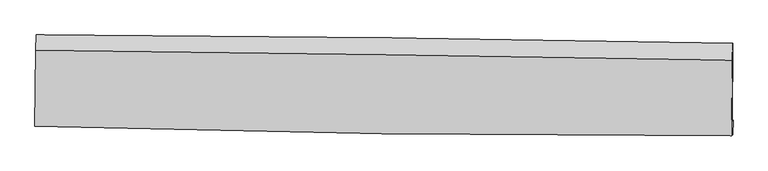
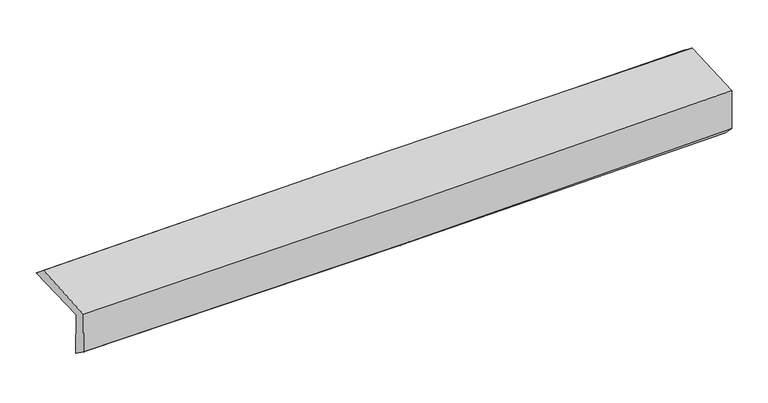
"""IFC4 building model written with IfcOpenShell, lengths in millimetres: proxy geometry."""

from ifc_helpers import new_model, si_unit, frame, origin, place, context, project, spatial, source, transform, mapped, element, save
from ifc_brep_helpers import plane_surface, spline_curve, spline_surface, advanced_brep


def generic_models_63edb679(model_context):
    return source(origin(), model_context, "Body", "AdvancedBrep", [
        advanced_brep(
        [(-3017.3919376, -1770.7921276, 1976.7757817), (-3009.9659371, -1107.9976375, 1986.1430583), (3003.2674861, -1181.2240042, 2132.4972373), (2995.0558927, -1854.9808772, 2117.532785), (-3008.1715024, -1751.1706477, 1580.3484349), (3004.3651255, -1843.4761142, 1713.0687033), (-3011.8734911, -1883.3128903, 1676.3924261), (3000.0649851, -1969.1330414, 1832.4863576), (-3020.654815, -1894.16524, 2057.9201185), (2991.1485838, -1980.1523257, 2219.8828392), (-3013.8623642, -1238.882884, 2091.3955001), (2999.0312936, -1325.4562689, 2238.686746)],
        [
            (0, 1),
            (1, 2, spline_curve(3, [(-3009.9659371, -1107.9976375, 1986.1430583), (-2007.395534747, -1111.047969996, 1999.102427018), (-1005.006084739, -1118.675364979, 2017.778345018), (999.405054313, -1143.084207107, 2066.563138449), (2001.426745313, -1159.865601344, 2096.671946493), (3003.2674861, -1181.2240042, 2132.4972373)], [4, 2, 4], [0.0, 9.867670617608345, 19.735283575249404])),
            (2, 3),
            (3, 0, spline_curve(3, [(2995.0558927, -1854.9808772, 2117.532785), (1993.523410221, -1839.428114689, 2070.838153073), (991.721314144, -1824.636022539, 2035.761087268), (-1012.427959404, -1796.57309727, 1988.84195045), (-2014.77514042, -1783.302272916, 1977.000015305), (-3017.3919376, -1770.7921276, 1976.7757817)], [4, 2, 4], [0.0, 9.86761295764106, 19.735283575249404])),
            (4, 0),
            (3, 5),
            (5, 4, spline_curve(3, [(3004.3651255, -1843.4761142, 1713.0687033), (2002.717220615, -1823.738852638, 1673.73556891), (1000.850013765, -1806.178115589, 1643.008986674), (-1003.328859712, -1775.409601516, 1598.768796671), (-2005.640528613, -1762.201849449, 1585.255289614), (-3008.1715024, -1751.1706477, 1580.3484349)], [4, 2, 4], [0.0, 9.867106806279098, 19.73427126956786])),
            (6, 4),
            (5, 7),
            (7, 6, spline_curve(3, [(3000.0649851, -1969.1330414, 1832.4863576), (1997.944938552, -1970.17067536, 1803.90101268), (995.89150564, -1963.537856571, 1776.600546898), (-1008.087987005, -1934.93122925, 1724.569221084), (-2010.014046439, -1912.957331011, 1699.83837652), (-3011.8734911, -1883.3128903, 1676.3924261)], [4, 2, 4], [0.0, 9.866648286889603, 19.73335422810958])),
            (8, 6),
            (7, 9),
            (9, 8, spline_curve(3, [(2991.1485838, -1980.1523257, 2219.8828392), (1988.942843306, -1981.295863962, 2195.020690913), (986.857819764, -1974.702086257, 2169.092766073), (-1017.076647797, -1946.039815002, 2115.105204793), (-2018.926090659, -1923.971230715, 2087.045556447), (-3020.654815, -1894.16524, 2057.9201185)], [4, 2, 4], [0.0, 9.866710494799259, 19.733478644292394])),
            (10, 8),
            (9, 11),
            (11, 10, spline_curve(3, [(2999.0312936, -1325.4562689, 2238.686746), (1996.717643598, -1309.66160287, 2222.016809927), (994.487811104, -1294.549840249, 2201.40761865), (-1009.810075999, -1265.692037438, 2152.310582705), (-2011.878129066, -1251.946004905, 2123.822692056), (-3013.8623642, -1238.882884, 2091.3955001)], [4, 2, 4], [0.0, 9.86711547308164, 19.734288603223586])),
            (1, 10),
            (11, 2),
        ],
        [
            spline_surface(3, 3, [[(-3017.3919376, -1770.7921276, 1976.7757817), (-2014.775140326, -1783.30227277, 1977.00001517), (-1012.427959438, -1796.573097197, 1988.841950435), (991.721314177, -1824.636022612, 2035.761087283), (1993.523410057, -1839.428114736, 2070.838153164), (2995.0558927, -1854.9808772, 2117.532785)], [(-3014.916604103, -1549.860630898, 1979.898207207), (-2012.315271774, -1559.217505208, 1984.367485746), (-1009.954001182, -1570.607186398, 1998.487415359), (994.282560881, -1597.452084141, 2046.028437644), (1996.15785516, -1612.907276964, 2079.449417601), (2997.793090506, -1630.395252884, 2122.52093578)], [(-3012.441270597, -1328.929134202, 1983.020632793), (-2009.855403214, -1335.132737653, 1991.734956401), (-1007.480042948, -1344.641275642, 2008.132880231), (996.843807563, -1370.268145714, 2056.295787952), (1998.792300246, -1386.386439141, 2088.060681997), (3000.530288294, -1405.809628516, 2127.50908652)], [(-3009.9659371, -1107.9976375, 1986.1430583), (-2007.395534661, -1111.04797009, 1999.102426977), (-1005.006084693, -1118.675364842, 2017.778345155), (999.405054267, -1143.084207243, 2066.563138312), (2001.42674535, -1159.865601369, 2096.671946434), (3003.2674861, -1181.2240042, 2132.4972373)]], [4, 4], [4, 2, 4], [0.0, 2.232357742214486], [0.0, 9.867670617608345, 19.735283575249404]),
            spline_surface(3, 3, [[(-3008.1715024, -1751.1706477, 1580.3484349), (-2005.64052874, -1762.201849452, 1585.255289493), (-1003.328859688, -1775.409601415, 1598.768796654), (1000.850013741, -1806.178115689, 1643.008986691), (2002.717220604, -1823.73885255, 1673.735569021), (3004.3651255, -1843.4761142, 1713.0687033)], [(-3011.244980794, -1757.711140996, 1712.490883846), (-2008.685399263, -1769.235323887, 1715.836864732), (-1006.361892934, -1782.464100023, 1728.793181258), (997.807113891, -1812.330751344, 1773.926353566), (1999.652617068, -1828.968606595, 1806.10309707), (3001.262047879, -1847.311035183, 1847.890063868)], [(-3014.318459206, -1764.251634304, 1844.633332754), (-2011.730269804, -1776.268798335, 1846.418439932), (-1009.394926192, -1789.518598589, 1858.81756583), (994.764214027, -1818.483386957, 1904.843720409), (1996.588013594, -1834.198360691, 1938.470625115), (2998.158970321, -1851.145956217, 1982.711424432)], [(-3017.3919376, -1770.7921276, 1976.7757817), (-2014.775140326, -1783.30227277, 1977.00001517), (-1012.427959438, -1796.573097197, 1988.841950435), (991.721314177, -1824.636022612, 2035.761087283), (1993.523410057, -1839.428114736, 2070.838153164), (2995.0558927, -1854.9808772, 2117.532785)]], [4, 4], [4, 2, 4], [0.0, 1.286153539969501], [0.0, 9.867164463288761, 19.73427126956786]),
            spline_surface(3, 3, [[(-3011.8734911, -1883.3128903, 1676.3924261), (-2010.014046409, -1912.95733107, 1699.838376644), (-1008.087987099, -1934.931229215, 1724.569221228), (995.891505734, -1963.537856606, 1776.600546753), (1997.944938515, -1970.170675494, 1803.901012651), (3000.0649851, -1969.1330414, 1832.4863576)], [(-3010.639494896, -1839.265476098, 1644.377762379), (-2008.556207215, -1862.705503862, 1661.644014273), (-1006.501611312, -1881.75735327, 1682.635746344), (997.54434172, -1911.084609622, 1732.070026707), (1999.53569922, -1921.360067849, 1760.512531432), (3001.498365242, -1927.247399002, 1792.680472825)], [(-3009.405498604, -1795.218061902, 1612.363098621), (-2007.098367934, -1812.45367666, 1623.449651865), (-1004.915235475, -1828.58347736, 1640.702271538), (999.197177755, -1858.631362673, 1687.539506738), (2001.126459899, -1872.549460196, 1717.12405024), (3002.931745358, -1885.361756598, 1752.874588075)], [(-3008.1715024, -1751.1706477, 1580.3484349), (-2005.64052874, -1762.201849452, 1585.255289493), (-1003.328859688, -1775.409601415, 1598.768796654), (1000.850013741, -1806.178115689, 1643.008986691), (2002.717220604, -1823.73885255, 1673.735569021), (3004.3651255, -1843.4761142, 1713.0687033)]], [4, 4], [4, 2, 4], [0.0, 0.6719565801474335], [0.0, 9.866705941219976, 19.73335422810958]),
            spline_surface(3, 3, [[(-3020.654815, -1894.16524, 2057.9201185), (-2018.926090616, -1923.971230726, 2087.045556287), (-1017.076647862, -1946.0398149, 2115.105204893), (986.857819829, -1974.702086358, 2169.092765973), (1988.942843315, -1981.29586412, 2195.020690997), (2991.1485838, -1980.1523257, 2219.8828392)], [(-3017.727707014, -1890.547790096, 1930.744221008), (-2015.955409194, -1920.299930837, 1957.97649638), (-1014.080427616, -1942.336953, 1984.926543674), (989.869048456, -1970.980676435, 2038.262026235), (1991.943541709, -1977.587467927, 2064.647464897), (2994.120717561, -1976.479230948, 2090.750678682)], [(-3014.800599086, -1886.930340204, 1803.568323592), (-2012.984727831, -1916.628630959, 1828.907436551), (-1011.084207345, -1938.634091116, 1854.747882448), (992.880277107, -1967.259266528, 1907.431286491), (1994.944240121, -1973.879071688, 1934.274238751), (2997.092851339, -1972.806136152, 1961.618518118)], [(-3011.8734911, -1883.3128903, 1676.3924261), (-2010.014046409, -1912.95733107, 1699.838376644), (-1008.087987099, -1934.931229215, 1724.569221228), (995.891505734, -1963.537856606, 1776.600546753), (1997.944938515, -1970.170675494, 1803.901012651), (3000.0649851, -1969.1330414, 1832.4863576)]], [4, 4], [4, 2, 4], [0.0, 1.285354639666826], [0.0, 9.866768149493135, 19.733478644292394]),
            spline_surface(3, 3, [[(-3013.8623642, -1238.882884, 2091.3955001), (-2011.878129111, -1251.946005033, 2123.822691954), (-1009.81007591, -1265.692037384, 2152.31058271), (994.487811015, -1294.549840303, 2201.407618645), (1996.717643723, -1309.661602976, 2222.016809846), (2999.0312936, -1325.4562689, 2238.686746)], [(-3016.126514462, -1457.310336001, 2080.237039586), (-2014.227449608, -1475.954413599, 2111.563646751), (-1012.232266549, -1492.474629896, 2139.908790115), (991.944480631, -1521.267255661, 2190.636001098), (1994.126043593, -1533.539690037, 2213.018103545), (2996.403723672, -1543.688287845, 2232.418777049)], [(-3018.390664738, -1675.737787999, 2069.078579014), (-2016.576770119, -1699.96282216, 2099.30460149), (-1014.654457223, -1719.257222389, 2127.506997489), (989.401150213, -1747.984671, 2179.86438352), (1991.534443445, -1757.41777706, 2204.019397298), (2993.776153728, -1761.920306755, 2226.150808151)], [(-3020.654815, -1894.16524, 2057.9201185), (-2018.926090616, -1923.971230726, 2087.045556287), (-1017.076647862, -1946.0398149, 2115.105204893), (986.857819829, -1974.702086358, 2169.092765973), (1988.942843315, -1981.29586412, 2195.020690997), (2991.1485838, -1980.1523257, 2219.8828392)]], [4, 4], [4, 2, 4], [0.0, 2.234836813253993], [0.0, 9.867173130141946, 19.734288603223586]),
            spline_surface(3, 3, [[(-3009.9659371, -1107.9976375, 1986.1430583), (-2007.395534661, -1111.04797009, 1999.102426977), (-1005.006084693, -1118.675364842, 2017.778345155), (999.405054267, -1143.084207243, 2066.563138312), (2001.42674535, -1159.865601369, 2096.671946434), (3003.2674861, -1181.2240042, 2132.4972373)], [(-3011.264746132, -1151.626053011, 2021.227205575), (-2008.88973281, -1158.013981749, 2040.675848644), (-1006.607415097, -1167.680922367, 2062.622424326), (997.765973185, -1193.572751607, 2111.511298409), (1999.857044813, -1209.797601875, 2138.453567567), (3001.855421939, -1229.301425737, 2167.893740196)], [(-3012.563555168, -1195.254468489, 2056.311352825), (-2010.383930962, -1204.979993375, 2082.249270287), (-1008.208745506, -1216.68647986, 2107.466503539), (996.126892097, -1244.061295939, 2156.459458548), (1998.28734426, -1259.729602471, 2180.235188712), (3000.443357761, -1277.378847363, 2203.290243104)], [(-3013.8623642, -1238.882884, 2091.3955001), (-2011.878129111, -1251.946005033, 2123.822691954), (-1009.81007591, -1265.692037384, 2152.31058271), (994.487811015, -1294.549840303, 2201.407618645), (1996.717643723, -1309.661602976, 2222.016809846), (2999.0312936, -1325.4562689, 2238.686746)]], [4, 4], [4, 2, 4], [0.0, 0.6597466159554595], [0.0, 9.867826412285554, 19.735595163693464]),
            plane_surface(frame((2998.8222278, -1692.4037719, 2042.3591114), z_axis=(0.9996630105766297, -0.012686675835920046, 0.02264759459862295), x_axis=(0.023000824492618744, 0.028425439269298212, -0.9993312546273169))),
            plane_surface(frame((-3013.6533413, -1607.7202379, 1894.8292199), z_axis=(-0.999676365664772, 0.011521002434774566, -0.022681058929671552), x_axis=(-0.01120225523663866, -0.9998374031076924, -0.014130705024139259))),
        ],
        [
            (0, [[1, 2, 3, 4]]),
            (1, [[5, -4, 6, 7]]),
            (2, [[8, -7, 9, 10]]),
            (3, [[11, -10, 12, 13]]),
            (4, [[14, -13, 15, 16]]),
            (5, [[17, -16, 18, -2]]),
            (6, [[-12, -9, -6, -3, -18, -15]]),
            (7, [[-1, -5, -8, -11, -14, -17]]),
        ],
    ),
    ])


if __name__ == "__main__":
    model = new_model("IFC4")
    model_context = context("Model", 3, world=origin())
    ifc_project = project(units=[si_unit("LENGTHUNIT", "METRE", prefix="MILLI")], contexts=[model_context])
    site = spatial("IfcSite", under=ifc_project)
    building = spatial("IfcBuilding", under=site)
    placement = place(None, origin())
    generic_models_shape = generic_models_63edb679(model_context)
    element("IfcBuildingElementProxy", 1, Name="Generic Models", at=placement, inside=building, context=model_context, shape_type="MappedRepresentation", body=[
        mapped(generic_models_shape, transform((0.0, 0.0, 0.0), x_axis=(1.0, 0.0, 0.0), y_axis=(0.0, 1.0, 0.0), z_axis=(0.0, 0.0, 1.0))),
    ])
    save(model, "model.ifc")
